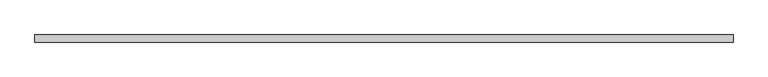
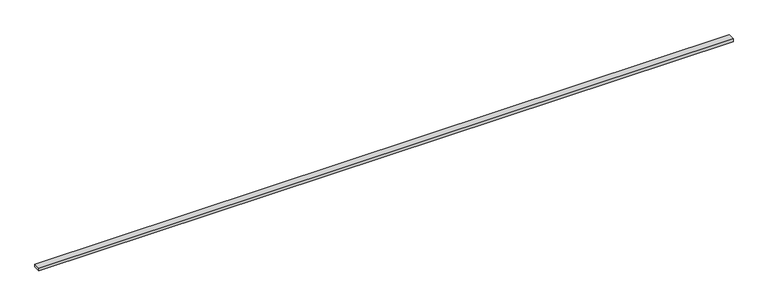
"""IFC4 building model written with IfcOpenShell, lengths in millimetres: beam geometry."""

from ifc_helpers import new_model, si_unit, frame, origin, place, context, project, spatial, polyline, outline, extrude, source, transform, mapped, element, save


def beam_74a9a435(model_context):
    return source(origin(), model_context, "Body", "SweptSolid", [
        extrude(outline(polyline([(2209.8, -22.5), (-2209.8, -22.5), (-2209.8, 22.5), (2209.8, 22.5), (2209.8, -22.5)])), frame((0.0, 0.0, -9.0), z_axis=(0.0, 0.0, 1.0), x_axis=(1.0, 0.0, 0.0)), (0.0, 0.0, 1.0), 18.0),
    ])


if __name__ == "__main__":
    model = new_model("IFC4")
    model_context = context("Model", 3, world=origin())
    ifc_project = project(units=[si_unit("LENGTHUNIT", "METRE", prefix="MILLI")], contexts=[model_context])
    site = spatial("IfcSite", under=ifc_project)
    building = spatial("IfcBuilding", under=site)
    placement = place(None, origin())
    beam_shape = beam_74a9a435(model_context)
    element("IfcBeam", 1, at=placement, inside=building, context=model_context, shape_type="MappedRepresentation", body=[
        mapped(beam_shape, transform((0.0, 0.0, 0.0), x_axis=(1.0, 0.0, 0.0), y_axis=(0.0, 1.0, 0.0), z_axis=(0.0, 0.0, 1.0))),
    ])
    save(model, "model.ifc")
